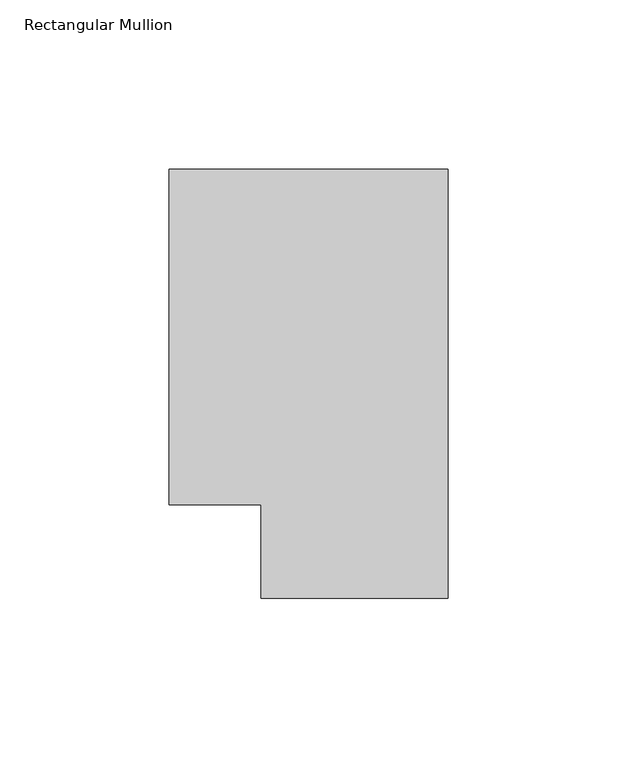
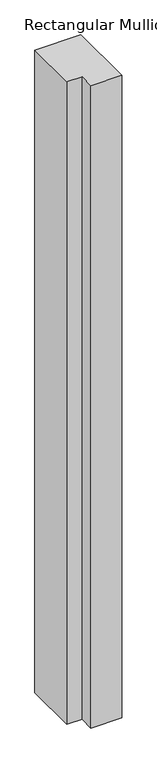
"""IFC4 building model written with IfcOpenShell, lengths in millimetres: member geometry, Rectangular Mullion."""

from ifc_helpers import new_model, si_unit, frame, origin, place, context, project, spatial, polyline, outline, extrude, source, transform, mapped, element, save


def rectangular_mullion_c27c0c8f(model_context):
    return source(origin(), model_context, "Body", "SweptSolid", [
        extrude(outline(polyline([(0.0, 138.7038437), (0.0, 11.7059608), (-55.3125404, 11.7059608), (-55.3125404, 39.3898438), (-82.55, 39.3898438), (-82.55, 138.7038437), (0.0, 138.7038437)])), frame((0.0, 0.0, -1219.2), z_axis=(0.0, 0.0, 1.0), x_axis=(1.0, 0.0, 0.0)), (0.0, 0.0, 1.0), 1219.2),
    ])


if __name__ == "__main__":
    model = new_model("IFC4")
    model_context = context("Model", 3, world=origin())
    ifc_project = project(units=[si_unit("LENGTHUNIT", "METRE", prefix="MILLI")], contexts=[model_context])
    site = spatial("IfcSite", under=ifc_project)
    building = spatial("IfcBuilding", under=site)
    placement = place(None, origin())
    rectangular_mullion_shape = rectangular_mullion_c27c0c8f(model_context)
    element("IfcMember", 1, ObjectType="Rectangular Mullion", at=placement, inside=building, context=model_context, shape_type="MappedRepresentation", body=[
        mapped(rectangular_mullion_shape, transform((0.0, 0.0, 0.0), x_axis=(1.0, 0.0, 0.0), y_axis=(0.0, 1.0, 0.0), z_axis=(0.0, 0.0, 1.0))),
    ])
    save(model, "model.ifc")
